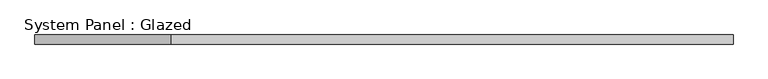
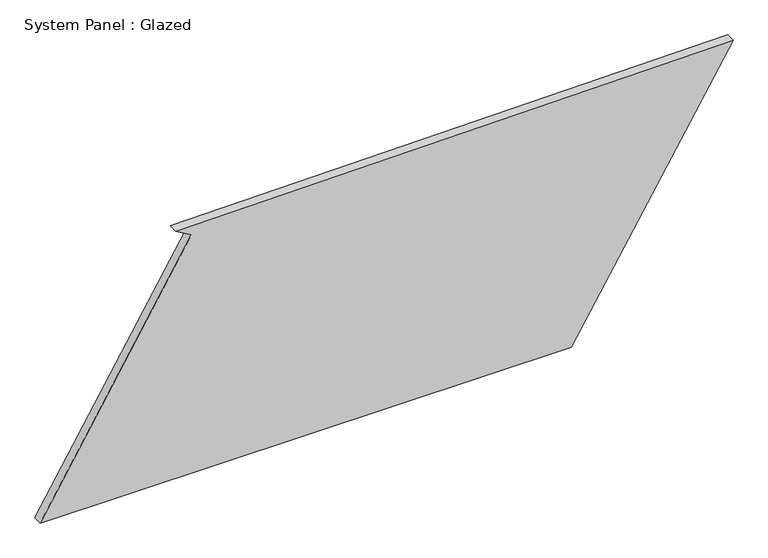
"""IFC4 building model written with IfcOpenShell, lengths in millimetres: plate geometry, System Panel : Glazed."""

import ifcopenshell
import ifcopenshell.guid

model = None  # the IFC model being written
_history = None  # IfcOwnerHistory: only IFC2X3 demands one
_inside = {}  # id of a spatial element -> (the spatial element, [elements in it])
_under = {}  # id of a project, library or spatial element -> (it, [spatial elements below it])
_declared = {}  # id of a project -> (the project, [libraries it declares])
_typed = {}  # id of a type object -> (the type object, [elements of that type])
_made_of = {}  # id of a material, layer set ... -> (it, [elements and type objects made of it])


def new_model(schema):
    """Start an empty IFC model of exactly this schema.

    Asked for "IFC4X3", IfcOpenShell would pick the latest addendum, in which some entities
    have other attributes; the version numbers below select the first issue.
    IFC2X3 requires an IfcOwnerHistory on every rooted entity: one is made here for all.
    """
    global model, _history
    if schema == "IFC4X3":
        model = ifcopenshell.file(schema_version=(4, 3, 0, 0))
    else:
        model = ifcopenshell.file(schema=schema)
    _inside.clear()
    _under.clear()
    _declared.clear()
    _typed.clear()
    _made_of.clear()
    _history = None
    if model.schema == "IFC2X3":
        org = make("IfcOrganization", Name="unknown")
        user = make(
            "IfcPersonAndOrganization",
            ThePerson=make("IfcPerson", FamilyName="unknown"),
            TheOrganization=org,
        )
        app = make(
            "IfcApplication",
            ApplicationDeveloper=org,
            Version="unknown",
            ApplicationFullName="unknown",
            ApplicationIdentifier="unknown",
        )
        _history = make(
            "IfcOwnerHistory",
            OwningUser=user,
            OwningApplication=app,
            ChangeAction="ADDED",
            CreationDate=0,
        )
    return model


def make(cls, **values):
    """One entity of the class cls with the attributes given. An attribute that is None is left unset."""
    return model.create_entity(
        cls, **{name: value for name, value in values.items() if value is not None}
    )


def rooted(cls, **values):
    """An entity with a GlobalId (a new one), such as an element, a storey or a relation."""
    return make(cls, GlobalId=ifcopenshell.guid.new(), OwnerHistory=_history, **values)


def si_unit(unit_type, name, prefix=None):
    """IfcSIUnit, for example si_unit("LENGTHUNIT", "METRE", prefix="MILLI")."""
    return make("IfcSIUnit", UnitType=unit_type, Prefix=prefix, Name=name)


def assignment(units):
    """IfcUnitAssignment: the units of a project."""
    return None if units is None else make("IfcUnitAssignment", Units=units)


def point(xyz):
    """IfcCartesianPoint."""
    return None if xyz is None else make("IfcCartesianPoint", Coordinates=xyz)


def direction(xyz):
    """IfcDirection."""
    return None if xyz is None else make("IfcDirection", DirectionRatios=xyz)


def frame(location, z_axis=None, x_axis=None):
    """IfcAxis2Placement3D, a coordinate frame: its origin and axes. An axis left out is left unset."""
    return make(
        "IfcAxis2Placement3D",
        Location=point(location),
        Axis=direction(z_axis),
        RefDirection=direction(x_axis),
    )


def origin():
    """The frame at (0, 0, 0) with its axes left unset."""
    return frame((0.0, 0.0, 0.0))


def place(relative_to, where):
    """IfcLocalPlacement: puts the frame where relative to a parent placement (None: the world)."""
    return make(
        "IfcLocalPlacement", PlacementRelTo=relative_to, RelativePlacement=where
    )


def context(
    kind, dimensions, precision=None, world=None, true_north=None, identifier=None
):
    """IfcGeometricRepresentationContext, for example the 3D "Model" context."""
    return make(
        "IfcGeometricRepresentationContext",
        ContextIdentifier=identifier,
        ContextType=kind,
        CoordinateSpaceDimension=dimensions,
        Precision=precision,
        WorldCoordinateSystem=world,
        TrueNorth=true_north,
    )


def project(units=None, contexts=None):
    """IfcProject with its units and contexts."""
    return rooted(
        "IfcProject",
        Name="project",
        RepresentationContexts=contexts,
        UnitsInContext=assignment(units),
    )


def spatial(cls, under=None, at=None, **own):
    """A site, building, storey or space (cls), placed at a placement, below another one or the project."""
    s = rooted(cls, ObjectPlacement=at, **own)
    if under is not None:
        _under.setdefault(under.id(), (under, []))[1].append(s)
    return s


def polyline(points):
    """IfcPolyline through the points."""
    return make("IfcPolyline", Points=[point(p) for p in points])


def outline(outer, holes=None, kind="AREA"):
    """IfcArbitraryClosedProfileDef: a profile drawn as a closed curve; with holes, ...WithVoids."""
    if holes is None:
        return make("IfcArbitraryClosedProfileDef", ProfileType=kind, OuterCurve=outer)
    return make(
        "IfcArbitraryProfileDefWithVoids",
        ProfileType=kind,
        OuterCurve=outer,
        InnerCurves=holes,
    )


def extrude(swept, where, along, depth):
    """IfcExtrudedAreaSolid: the profile swept, set in the frame where, extruded along a direction by depth."""
    return make(
        "IfcExtrudedAreaSolid",
        SweptArea=swept,
        Position=where,
        ExtrudedDirection=direction(along),
        Depth=depth,
    )


def shape(context_of_items, identifier, shape_type, items):
    """IfcShapeRepresentation: the items that make up one representation, for example the "Body"."""
    return make(
        "IfcShapeRepresentation",
        ContextOfItems=context_of_items,
        RepresentationIdentifier=identifier,
        RepresentationType=shape_type,
        Items=items,
    )


def source(mapping_origin, context_of_items, identifier, shape_type, items):
    """IfcRepresentationMap: a shape defined once, which mapped items show again and again."""
    return make(
        "IfcRepresentationMap",
        MappingOrigin=mapping_origin,
        MappedRepresentation=shape(context_of_items, identifier, shape_type, items),
    )


def transform(
    local_origin,
    x_axis=None,
    y_axis=None,
    z_axis=None,
    scale=None,
    scale2=None,
    scale3=None,
    uniform=True,
):
    """IfcCartesianTransformationOperator3D, or its non-uniform kind. x_axis, y_axis, z_axis: its Axis1, 2, 3."""
    if uniform:
        return make(
            "IfcCartesianTransformationOperator3D",
            Axis1=direction(x_axis),
            Axis2=direction(y_axis),
            LocalOrigin=point(local_origin),
            Scale=scale,
            Axis3=direction(z_axis),
        )
    return make(
        "IfcCartesianTransformationOperator3DnonUniform",
        Axis1=direction(x_axis),
        Axis2=direction(y_axis),
        LocalOrigin=point(local_origin),
        Scale=scale,
        Axis3=direction(z_axis),
        Scale2=scale2,
        Scale3=scale3,
    )


def mapped(mapping_source, mapping_target):
    """IfcMappedItem: shows the shape of a source again, moved by a transform."""
    return make(
        "IfcMappedItem", MappingSource=mapping_source, MappingTarget=mapping_target
    )


def made_of(thing, what):
    """Note that an element or type object is made of a material, layer set ...; save() writes the relation."""
    if what is not None:
        _made_of.setdefault(what.id(), (what, []))[1].append(thing)
    return thing


def element(
    cls,
    number,
    at=None,
    inside=None,
    cuts=None,
    type_object=None,
    material=None,
    context=None,
    identifier="Body",
    shape_type=None,
    held_by="IfcProductDefinitionShape",
    body=None,
    shapes=None,
    **own,
):
    """One element of the class cls, such as IfcWall. Its Tag is "e" and its number.

    at: its placement. inside: the storey or other place that contains it. cuts: it is an
    opening in that element (IfcRelVoidsElement). A single representation is given by context,
    identifier, shape_type and body (its items); several are given by shapes. held_by: the class
    of the entity that holds the representations. save() writes the other relations.
    """
    e = rooted(cls, Tag="e%d" % number, ObjectPlacement=at, **own)
    if body is not None:
        shapes = [shape(context, identifier, shape_type, body)]
    if shapes is not None:
        e.Representation = make(held_by, Representations=shapes)
    if inside is not None:
        _inside.setdefault(inside.id(), (inside, []))[1].append(e)
    if cuts is not None:
        rooted(
            "IfcRelVoidsElement", RelatingBuildingElement=cuts, RelatedOpeningElement=e
        )
    if type_object is not None:
        _typed.setdefault(type_object.id(), (type_object, []))[1].append(e)
    return made_of(e, material)


def aggregate(whole, parts):
    """IfcRelAggregates: a whole, such as a stair, and the parts it consists of."""
    return rooted("IfcRelAggregates", RelatingObject=whole, RelatedObjects=parts)


def save(model, path):
    """Write the relations noted so far, then the file.

    IfcRelAggregates (storeys below a building ...), IfcRelContainedInSpatialStructure (elements
    in a storey), IfcRelDefinesByType, IfcRelAssociatesMaterial and IfcRelDeclares: one each for
    every whole, place, type object, material and project.
    """
    for whole, parts in _under.values():
        aggregate(whole, parts)
    for where, things in _inside.values():
        rooted(
            "IfcRelContainedInSpatialStructure",
            RelatedElements=things,
            RelatingStructure=where,
        )
    for kind, things in _typed.values():
        rooted("IfcRelDefinesByType", RelatedObjects=things, RelatingType=kind)
    for what, things in _made_of.values():
        rooted("IfcRelAssociatesMaterial", RelatedObjects=things, RelatingMaterial=what)
    for by, libraries in _declared.values():
        rooted("IfcRelDeclares", RelatingContext=by, RelatedDefinitions=libraries)
    model.write(path)


def system_panel_glazed_78642097(model_context):
    return source(origin(), model_context, "Body", "SweptSolid", [
        extrude(outline(polyline([(0.0, -956.820236), (0.0, 509.9833899), (740.064231, 956.820236), (721.3993274, -582.541891), (695.6859499, -539.6604006), (0.0, -956.820236)])), frame((0.0, -49.5, 0.0), z_axis=(0.0, 1.0, 0.0), x_axis=(0.0, 0.0, 1.0)), (0.0, 0.0, 1.0), 25.0),
    ])


if __name__ == "__main__":
    model = new_model("IFC4")
    model_context = context("Model", 3, world=origin())
    ifc_project = project(units=[si_unit("LENGTHUNIT", "METRE", prefix="MILLI")], contexts=[model_context])
    site = spatial("IfcSite", under=ifc_project)
    building = spatial("IfcBuilding", under=site)
    placement = place(None, origin())
    system_panel_glazed_shape = system_panel_glazed_78642097(model_context)
    element("IfcPlate", 1, ObjectType="System Panel : Glazed", at=placement, inside=building, context=model_context, shape_type="MappedRepresentation", body=[
        mapped(system_panel_glazed_shape, transform((0.0, 0.0, 0.0), x_axis=(1.0, 0.0, 0.0), y_axis=(0.0, 1.0, 0.0), z_axis=(0.0, 0.0, 1.0))),
    ])
    save(model, "model.ifc")
